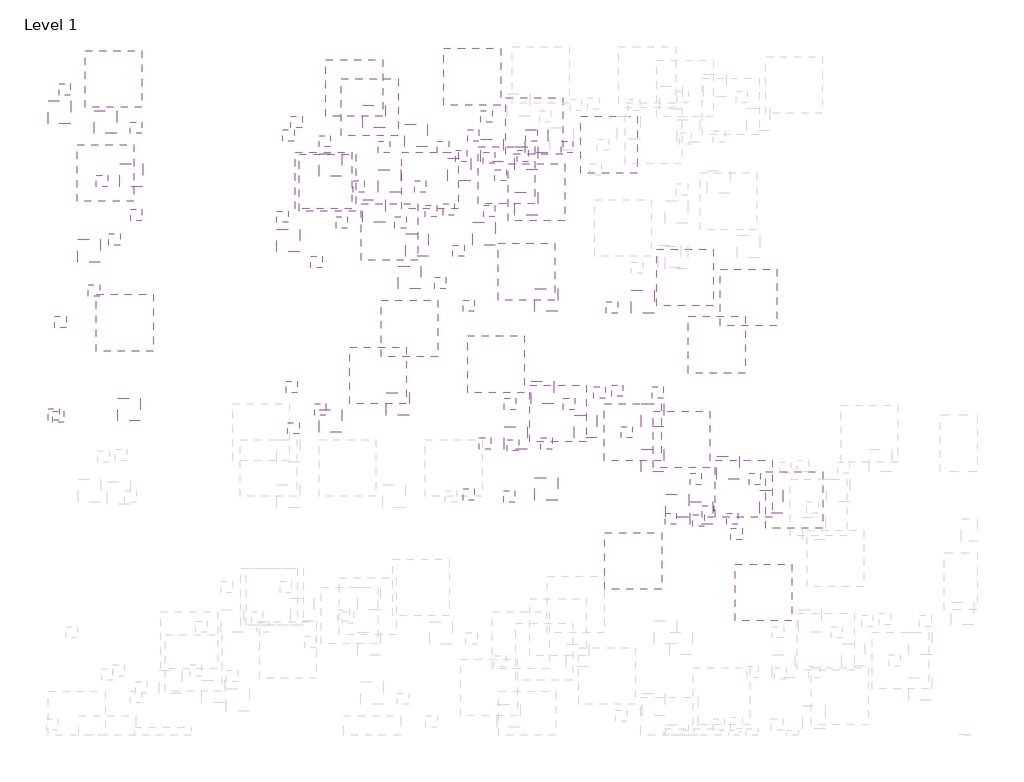
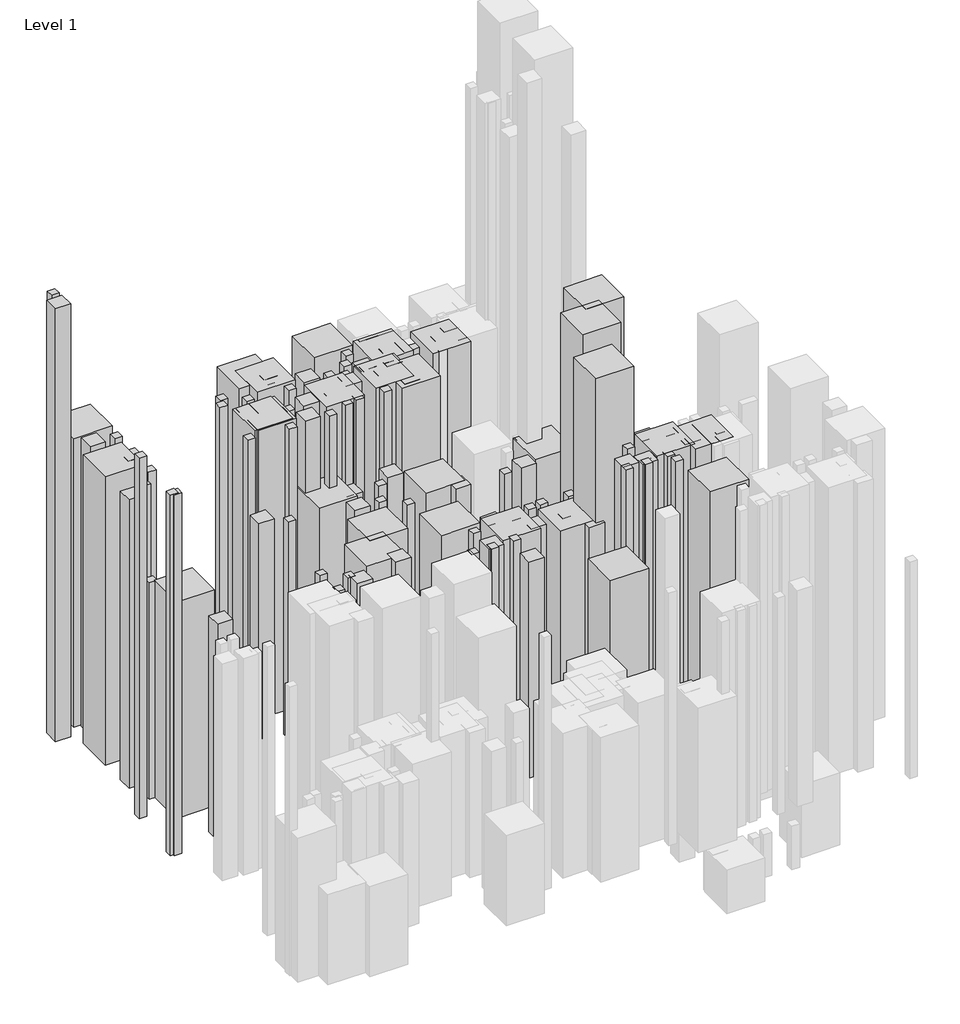
# One storey, part 11 of 16: 117 proxies.
"""IFC4 building model written with IfcOpenShell, lengths in millimetres."""

import ifcopenshell
import ifcopenshell.guid

model = None  # the IFC model being written
_history = None  # IfcOwnerHistory: only IFC2X3 demands one
_inside = {}  # id of a spatial element -> (the spatial element, [elements in it])
_under = {}  # id of a project, library or spatial element -> (it, [spatial elements below it])
_declared = {}  # id of a project -> (the project, [libraries it declares])
_typed = {}  # id of a type object -> (the type object, [elements of that type])
_made_of = {}  # id of a material, layer set ... -> (it, [elements and type objects made of it])


def new_model(schema):
    """Start an empty IFC model of exactly this schema.

    Asked for "IFC4X3", IfcOpenShell would pick the latest addendum, in which some entities
    have other attributes; the version numbers below select the first issue.
    IFC2X3 requires an IfcOwnerHistory on every rooted entity: one is made here for all.
    """
    global model, _history
    if schema == "IFC4X3":
        model = ifcopenshell.file(schema_version=(4, 3, 0, 0))
    else:
        model = ifcopenshell.file(schema=schema)
    _inside.clear()
    _under.clear()
    _declared.clear()
    _typed.clear()
    _made_of.clear()
    _history = None
    if model.schema == "IFC2X3":
        org = make("IfcOrganization", Name="unknown")
        user = make(
            "IfcPersonAndOrganization",
            ThePerson=make("IfcPerson", FamilyName="unknown"),
            TheOrganization=org,
        )
        app = make(
            "IfcApplication",
            ApplicationDeveloper=org,
            Version="unknown",
            ApplicationFullName="unknown",
            ApplicationIdentifier="unknown",
        )
        _history = make(
            "IfcOwnerHistory",
            OwningUser=user,
            OwningApplication=app,
            ChangeAction="ADDED",
            CreationDate=0,
        )
    return model


def make(cls, **values):
    """One entity of the class cls with the attributes given. An attribute that is None is left unset."""
    return model.create_entity(
        cls, **{name: value for name, value in values.items() if value is not None}
    )


def rooted(cls, **values):
    """An entity with a GlobalId (a new one), such as an element, a storey or a relation."""
    return make(cls, GlobalId=ifcopenshell.guid.new(), OwnerHistory=_history, **values)


def si_unit(unit_type, name, prefix=None):
    """IfcSIUnit, for example si_unit("LENGTHUNIT", "METRE", prefix="MILLI")."""
    return make("IfcSIUnit", UnitType=unit_type, Prefix=prefix, Name=name)


def assignment(units):
    """IfcUnitAssignment: the units of a project."""
    return None if units is None else make("IfcUnitAssignment", Units=units)


def point(xyz):
    """IfcCartesianPoint."""
    return None if xyz is None else make("IfcCartesianPoint", Coordinates=xyz)


def direction(xyz):
    """IfcDirection."""
    return None if xyz is None else make("IfcDirection", DirectionRatios=xyz)


def frame(location, z_axis=None, x_axis=None):
    """IfcAxis2Placement3D, a coordinate frame: its origin and axes. An axis left out is left unset."""
    return make(
        "IfcAxis2Placement3D",
        Location=point(location),
        Axis=direction(z_axis),
        RefDirection=direction(x_axis),
    )


def origin():
    """The frame at (0, 0, 0) with its axes left unset."""
    return frame((0.0, 0.0, 0.0))


def place(relative_to, where):
    """IfcLocalPlacement: puts the frame where relative to a parent placement (None: the world)."""
    return make(
        "IfcLocalPlacement", PlacementRelTo=relative_to, RelativePlacement=where
    )


def context(
    kind, dimensions, precision=None, world=None, true_north=None, identifier=None
):
    """IfcGeometricRepresentationContext, for example the 3D "Model" context."""
    return make(
        "IfcGeometricRepresentationContext",
        ContextIdentifier=identifier,
        ContextType=kind,
        CoordinateSpaceDimension=dimensions,
        Precision=precision,
        WorldCoordinateSystem=world,
        TrueNorth=true_north,
    )


def project(units=None, contexts=None):
    """IfcProject with its units and contexts."""
    return rooted(
        "IfcProject",
        Name="project",
        RepresentationContexts=contexts,
        UnitsInContext=assignment(units),
    )


def spatial(cls, under=None, at=None, **own):
    """A site, building, storey or space (cls), placed at a placement, below another one or the project."""
    s = rooted(cls, ObjectPlacement=at, **own)
    if under is not None:
        _under.setdefault(under.id(), (under, []))[1].append(s)
    return s


def polyline(points):
    """IfcPolyline through the points."""
    return make("IfcPolyline", Points=[point(p) for p in points])


def outline(outer, holes=None, kind="AREA"):
    """IfcArbitraryClosedProfileDef: a profile drawn as a closed curve; with holes, ...WithVoids."""
    if holes is None:
        return make("IfcArbitraryClosedProfileDef", ProfileType=kind, OuterCurve=outer)
    return make(
        "IfcArbitraryProfileDefWithVoids",
        ProfileType=kind,
        OuterCurve=outer,
        InnerCurves=holes,
    )


def extrude(swept, where, along, depth):
    """IfcExtrudedAreaSolid: the profile swept, set in the frame where, extruded along a direction by depth."""
    return make(
        "IfcExtrudedAreaSolid",
        SweptArea=swept,
        Position=where,
        ExtrudedDirection=direction(along),
        Depth=depth,
    )


def shape(context_of_items, identifier, shape_type, items):
    """IfcShapeRepresentation: the items that make up one representation, for example the "Body"."""
    return make(
        "IfcShapeRepresentation",
        ContextOfItems=context_of_items,
        RepresentationIdentifier=identifier,
        RepresentationType=shape_type,
        Items=items,
    )


def source(mapping_origin, context_of_items, identifier, shape_type, items):
    """IfcRepresentationMap: a shape defined once, which mapped items show again and again."""
    return make(
        "IfcRepresentationMap",
        MappingOrigin=mapping_origin,
        MappedRepresentation=shape(context_of_items, identifier, shape_type, items),
    )


def transform(
    local_origin,
    x_axis=None,
    y_axis=None,
    z_axis=None,
    scale=None,
    scale2=None,
    scale3=None,
    uniform=True,
):
    """IfcCartesianTransformationOperator3D, or its non-uniform kind. x_axis, y_axis, z_axis: its Axis1, 2, 3."""
    if uniform:
        return make(
            "IfcCartesianTransformationOperator3D",
            Axis1=direction(x_axis),
            Axis2=direction(y_axis),
            LocalOrigin=point(local_origin),
            Scale=scale,
            Axis3=direction(z_axis),
        )
    return make(
        "IfcCartesianTransformationOperator3DnonUniform",
        Axis1=direction(x_axis),
        Axis2=direction(y_axis),
        LocalOrigin=point(local_origin),
        Scale=scale,
        Axis3=direction(z_axis),
        Scale2=scale2,
        Scale3=scale3,
    )


def mapped(mapping_source, mapping_target):
    """IfcMappedItem: shows the shape of a source again, moved by a transform."""
    return make(
        "IfcMappedItem", MappingSource=mapping_source, MappingTarget=mapping_target
    )


def made_of(thing, what):
    """Note that an element or type object is made of a material, layer set ...; save() writes the relation."""
    if what is not None:
        _made_of.setdefault(what.id(), (what, []))[1].append(thing)
    return thing


def element(
    cls,
    number,
    at=None,
    inside=None,
    cuts=None,
    type_object=None,
    material=None,
    context=None,
    identifier="Body",
    shape_type=None,
    held_by="IfcProductDefinitionShape",
    body=None,
    shapes=None,
    **own,
):
    """One element of the class cls, such as IfcWall. Its Tag is "e" and its number.

    at: its placement. inside: the storey or other place that contains it. cuts: it is an
    opening in that element (IfcRelVoidsElement). A single representation is given by context,
    identifier, shape_type and body (its items); several are given by shapes. held_by: the class
    of the entity that holds the representations. save() writes the other relations.
    """
    e = rooted(cls, Tag="e%d" % number, ObjectPlacement=at, **own)
    if body is not None:
        shapes = [shape(context, identifier, shape_type, body)]
    if shapes is not None:
        e.Representation = make(held_by, Representations=shapes)
    if inside is not None:
        _inside.setdefault(inside.id(), (inside, []))[1].append(e)
    if cuts is not None:
        rooted(
            "IfcRelVoidsElement", RelatingBuildingElement=cuts, RelatedOpeningElement=e
        )
    if type_object is not None:
        _typed.setdefault(type_object.id(), (type_object, []))[1].append(e)
    return made_of(e, material)


def aggregate(whole, parts):
    """IfcRelAggregates: a whole, such as a stair, and the parts it consists of."""
    return rooted("IfcRelAggregates", RelatingObject=whole, RelatedObjects=parts)


def save(model, path):
    """Write the relations noted so far, then the file.

    IfcRelAggregates (storeys below a building ...), IfcRelContainedInSpatialStructure (elements
    in a storey), IfcRelDefinesByType, IfcRelAssociatesMaterial and IfcRelDeclares: one each for
    every whole, place, type object, material and project.
    """
    for whole, parts in _under.values():
        aggregate(whole, parts)
    for where, things in _inside.values():
        rooted(
            "IfcRelContainedInSpatialStructure",
            RelatedElements=things,
            RelatingStructure=where,
        )
    for kind, things in _typed.values():
        rooted("IfcRelDefinesByType", RelatedObjects=things, RelatingType=kind)
    for what, things in _made_of.values():
        rooted("IfcRelAssociatesMaterial", RelatedObjects=things, RelatingMaterial=what)
    for by, libraries in _declared.values():
        rooted("IfcRelDeclares", RelatingContext=by, RelatedDefinitions=libraries)
    model.write(path)


def parte1_ss_1fca1654(model_context):
    return source(origin(), model_context, "Body", "SweptSolid", [
        extrude(outline(polyline([(2000.0, 2000.0), (2000.0, 0.0), (0.0, 0.0), (0.0, 2000.0), (2000.0, 2000.0)])), frame((0.0, 0.0, 25000.0), z_axis=(0.0, 0.0, 1.0), x_axis=(1.0, 0.0, 0.0)), (0.0, 0.0, 1.0), 80000.0),
    ])


def parte1_ss_e06bf4f3(model_context):
    return source(origin(), model_context, "Body", "SweptSolid", [
        extrude(outline(polyline([(2000.0, 2000.0), (2000.0, 0.0), (0.0, 0.0), (0.0, 2000.0), (2000.0, 2000.0)])), frame((0.0, 0.0, 25000.0), z_axis=(0.0, 0.0, 1.0), x_axis=(1.0, 0.0, 0.0)), (0.0, 0.0, 1.0), 60000.0),
    ])


def parte1_ss_6912c72c(model_context):
    return source(origin(), model_context, "Body", "SweptSolid", [
        extrude(outline(polyline([(4000.0, 4000.0), (4000.0, 0.0), (0.0, 0.0), (0.0, 4000.0), (4000.0, 4000.0)])), frame((0.0, 0.0, 25000.0), z_axis=(0.0, 0.0, 1.0), x_axis=(1.0, 0.0, 0.0)), (0.0, 0.0, 1.0), 80000.0),
    ])


def parte1_ss_4bb62a88(model_context):
    return source(origin(), model_context, "Body", "SweptSolid", [
        extrude(outline(polyline([(4000.0, 4000.0), (4000.0, 0.0), (0.0, 0.0), (0.0, 4000.0), (4000.0, 4000.0)])), frame((0.0, 0.0, 25000.0), z_axis=(0.0, 0.0, 1.0), x_axis=(1.0, 0.0, 0.0)), (0.0, 0.0, 1.0), 60000.0),
    ])


def parte1_ss_8711a79d(model_context):
    return source(origin(), model_context, "Body", "SweptSolid", [
        extrude(outline(polyline([(10000.0, 10000.0), (10000.0, 0.0), (0.0, 0.0), (0.0, 10000.0), (10000.0, 10000.0)])), frame((0.0, 0.0, 25000.0), z_axis=(0.0, 0.0, 1.0), x_axis=(1.0, 0.0, 0.0)), (0.0, 0.0, 1.0), 80000.0),
    ])


def parte1_ss_c5f6cec1(model_context):
    return source(origin(), model_context, "Body", "SweptSolid", [
        extrude(outline(polyline([(10000.0, 10000.0), (10000.0, 0.0), (0.0, 0.0), (0.0, 10000.0), (10000.0, 10000.0)])), frame((0.0, 0.0, 25000.0), z_axis=(0.0, 0.0, 1.0), x_axis=(1.0, 0.0, 0.0)), (0.0, 0.0, 1.0), 60000.0),
    ])


def parte1_ss_d79c1c34(model_context):
    return source(origin(), model_context, "Body", "SweptSolid", [
        extrude(outline(polyline([(2000.0, 2000.0), (2000.0, 0.0), (0.0, 0.0), (0.0, 2000.0), (2000.0, 2000.0)])), frame((0.0, 0.0, 25000.0), z_axis=(0.0, 0.0, 1.0), x_axis=(1.0, 0.0, 0.0)), (0.0, 0.0, 1.0), 40000.0),
    ])


def parte1_ss_d48f2e0d(model_context):
    return source(origin(), model_context, "Body", "SweptSolid", [
        extrude(outline(polyline([(2000.0, 2000.0), (2000.0, 0.0), (0.0, 0.0), (0.0, 2000.0), (2000.0, 2000.0)])), frame((0.0, 0.0, 25000.0), z_axis=(0.0, 0.0, 1.0), x_axis=(1.0, 0.0, 0.0)), (0.0, 0.0, 1.0), 100000.0),
    ])


def parte1_ss_03b0882a(model_context):
    return source(origin(), model_context, "Body", "SweptSolid", [
        extrude(outline(polyline([(10000.0, 10000.0), (10000.0, 0.0), (0.0, 0.0), (0.0, 10000.0), (10000.0, 10000.0)])), frame((0.0, 0.0, 25000.0), z_axis=(0.0, 0.0, 1.0), x_axis=(1.0, 0.0, 0.0)), (0.0, 0.0, 1.0), 100000.0),
    ])


def parte1_ss_e330ee4c(model_context):
    return source(origin(), model_context, "Body", "SweptSolid", [
        extrude(outline(polyline([(2000.0, 2000.0), (2000.0, 0.0), (0.0, 0.0), (0.0, 2000.0), (2000.0, 2000.0)])), frame((0.0, 0.0, 25000.0), z_axis=(0.0, 0.0, 1.0), x_axis=(1.0, 0.0, 0.0)), (0.0, 0.0, 1.0), 120000.0),
    ])


def parte1_ss_894d3b80(model_context):
    return source(origin(), model_context, "Body", "SweptSolid", [
        extrude(outline(polyline([(4000.0, 4000.0), (4000.0, 0.0), (0.0, 0.0), (0.0, 4000.0), (4000.0, 4000.0)])), frame((0.0, 0.0, 25000.0), z_axis=(0.0, 0.0, 1.0), x_axis=(1.0, 0.0, 0.0)), (0.0, 0.0, 1.0), 120000.0),
    ])


model = new_model("IFC4")

# Units and contexts
model_context = context("Model", 3, world=origin())
ifc_project = project(units=[si_unit("LENGTHUNIT", "METRE", prefix="MILLI")], contexts=[model_context])

# Site, building, storey
site = spatial("IfcSite", under=ifc_project)
building = spatial("IfcBuilding", under=site)
storey = spatial("IfcBuildingStorey", under=building, Name="Level 1", Elevation=0.0)

# Proxies
placement = place(None, origin())
parte1_ss_shape = parte1_ss_1fca1654(model_context)
element("IfcBuildingElementProxy", 1, Name="Parte1-SS", ObjectType="Parte1-SS", at=placement, inside=storey, context=model_context, shape_type="MappedRepresentation", body=[
    mapped(parte1_ss_shape, transform((15519.2993806, 249073.0632074, 0.0), x_axis=(1.0, 0.0, 0.0), y_axis=(0.0, 1.0, 0.0), z_axis=(0.0, 0.0, 1.0))),
])
element("IfcBuildingElementProxy", 2, Name="Parte1-SS", ObjectType="Parte1-SS", at=placement, inside=storey, context=model_context, shape_type="MappedRepresentation", body=[
    mapped(parte1_ss_shape, transform((43806.3667145, 250073.0632074, 0.0), x_axis=(1.0, 0.0, 0.0), y_axis=(0.0, 1.0, 0.0), z_axis=(0.0, 0.0, 1.0))),
])
element("IfcBuildingElementProxy", 3, Name="Parte1-SS", ObjectType="Parte1-SS", at=placement, inside=storey, context=model_context, shape_type="MappedRepresentation", body=[
    mapped(parte1_ss_shape, transform((77783.5006159, 243768.2632074, 0.0), x_axis=(1.0, 0.0, 0.0), y_axis=(0.0, 1.0, 0.0), z_axis=(0.0, 0.0, 1.0))),
])
element("IfcBuildingElementProxy", 4, Name="Parte1-SS", ObjectType="Parte1-SS", at=placement, inside=storey, context=model_context, shape_type="MappedRepresentation", body=[
    mapped(parte1_ss_shape, transform((72864.7828808, 244073.0632074, 0.0), x_axis=(1.0, 0.0, 0.0), y_axis=(0.0, 1.0, 0.0), z_axis=(0.0, 0.0, 1.0))),
])
element("IfcBuildingElementProxy", 5, Name="Parte1-SS", ObjectType="Parte1-SS", at=placement, inside=storey, context=model_context, shape_type="MappedRepresentation", body=[
    mapped(parte1_ss_shape, transform((77292.6873825, 251073.0632074, 0.0), x_axis=(1.0, 0.0, 0.0), y_axis=(0.0, 1.0, 0.0), z_axis=(0.0, 0.0, 1.0))),
])
element("IfcBuildingElementProxy", 6, Name="Parte1-SS", ObjectType="Parte1-SS", at=placement, inside=storey, context=model_context, shape_type="MappedRepresentation", body=[
    mapped(parte1_ss_shape, transform((83708.8445693, 244073.0632074, 0.0), x_axis=(1.0, 0.0, 0.0), y_axis=(0.0, 1.0, 0.0), z_axis=(0.0, 0.0, 1.0))),
])
element("IfcBuildingElementProxy", 7, Name="Parte1-SS", ObjectType="Parte1-SS", at=placement, inside=storey, context=model_context, shape_type="MappedRepresentation", body=[
    mapped(parte1_ss_shape, transform((91538.9295978, 245682.6632074, 0.0), x_axis=(1.0, 0.0, 0.0), y_axis=(0.0, 1.0, 0.0), z_axis=(0.0, 0.0, 1.0))),
])
element("IfcBuildingElementProxy", 8, Name="Parte1-SS", ObjectType="Parte1-SS", at=placement, inside=storey, context=model_context, shape_type="MappedRepresentation", body=[
    mapped(parte1_ss_shape, transform((116362.8043872, 181420.4492341, 0.0), x_axis=(1.0, 0.0, 0.0), y_axis=(0.0, 1.0, 0.0), z_axis=(0.0, 0.0, 1.0))),
])
element("IfcBuildingElementProxy", 9, Name="Parte1-SS", ObjectType="Parte1-SS", at=placement, inside=storey, context=model_context, shape_type="MappedRepresentation", body=[
    mapped(parte1_ss_shape, transform((121397.0200261, 177420.4492341, 0.0), x_axis=(1.0, 0.0, 0.0), y_axis=(0.0, 1.0, 0.0), z_axis=(0.0, 0.0, 1.0))),
])
element("IfcBuildingElementProxy", 10, Name="Parte1-SS", ObjectType="Parte1-SS", at=placement, inside=storey, context=model_context, shape_type="MappedRepresentation", body=[
    mapped(parte1_ss_shape, transform((9538.1878497, 239682.6632074, 0.0), x_axis=(1.0, 0.0, 0.0), y_axis=(0.0, 1.0, 0.0), z_axis=(0.0, 0.0, 1.0))),
])
element("IfcBuildingElementProxy", 11, Name="Parte1-SS", ObjectType="Parte1-SS", at=placement, inside=storey, context=model_context, shape_type="MappedRepresentation", body=[
    mapped(parte1_ss_shape, transform((15538.1878497, 233682.6632074, 0.0), x_axis=(1.0, 0.0, 0.0), y_axis=(0.0, 1.0, 0.0), z_axis=(0.0, 0.0, 1.0))),
])
element("IfcBuildingElementProxy", 12, Name="Parte1-SS", ObjectType="Parte1-SS", at=placement, inside=storey, context=model_context, shape_type="MappedRepresentation", body=[
    mapped(parte1_ss_shape, transform((48791.0395448, 246682.6632074, 0.0), x_axis=(1.0, 0.0, 0.0), y_axis=(0.0, 1.0, 0.0), z_axis=(0.0, 0.0, 1.0))),
])
element("IfcBuildingElementProxy", 13, Name="Parte1-SS", ObjectType="Parte1-SS", at=placement, inside=storey, context=model_context, shape_type="MappedRepresentation", body=[
    mapped(parte1_ss_shape, transform((42383.1287422, 247682.6632074, 0.0), x_axis=(1.0, 0.0, 0.0), y_axis=(0.0, 1.0, 0.0), z_axis=(0.0, 0.0, 1.0))),
])
element("IfcBuildingElementProxy", 14, Name="Parte1-SS", ObjectType="Parte1-SS", at=placement, inside=storey, context=model_context, shape_type="MappedRepresentation", body=[
    mapped(parte1_ss_shape, transform((54791.0395448, 238682.6632074, 0.0), x_axis=(1.0, 0.0, 0.0), y_axis=(0.0, 1.0, 0.0), z_axis=(0.0, 0.0, 1.0))),
])
element("IfcBuildingElementProxy", 15, Name="Parte1-SS", ObjectType="Parte1-SS", at=placement, inside=storey, context=model_context, shape_type="MappedRepresentation", body=[
    mapped(parte1_ss_shape, transform((59218.9440466, 245682.6632074, 0.0), x_axis=(1.0, 0.0, 0.0), y_axis=(0.0, 1.0, 0.0), z_axis=(0.0, 0.0, 1.0))),
])
element("IfcBuildingElementProxy", 16, Name="Parte1-SS", ObjectType="Parte1-SS", at=placement, inside=storey, context=model_context, shape_type="MappedRepresentation", body=[
    mapped(parte1_ss_shape, transform((65635.1012333, 238682.6632074, 0.0), x_axis=(1.0, 0.0, 0.0), y_axis=(0.0, 1.0, 0.0), z_axis=(0.0, 0.0, 1.0))),
])
element("IfcBuildingElementProxy", 17, Name="Parte1-SS", ObjectType="Parte1-SS", at=placement, inside=storey, context=model_context, shape_type="MappedRepresentation", body=[
    mapped(parte1_ss_shape, transform((74979.6583669, 247682.6632074, 0.0), x_axis=(1.0, 0.0, 0.0), y_axis=(0.0, 1.0, 0.0), z_axis=(0.0, 0.0, 1.0))),
])
element("IfcBuildingElementProxy", 18, Name="Parte1-SS", ObjectType="Parte1-SS", at=placement, inside=storey, context=model_context, shape_type="MappedRepresentation", body=[
    mapped(parte1_ss_shape, transform((70669.3168722, 234682.6632074, 0.0), x_axis=(1.0, 0.0, 0.0), y_axis=(0.0, 1.0, 0.0), z_axis=(0.0, 0.0, 1.0))),
])
element("IfcBuildingElementProxy", 19, Name="Parte1-SS", ObjectType="Parte1-SS", at=placement, inside=storey, context=model_context, shape_type="MappedRepresentation", body=[
    mapped(parte1_ss_shape, transform((69616.4090261, 245682.6632074, 0.0), x_axis=(1.0, 0.0, 0.0), y_axis=(0.0, 1.0, 0.0), z_axis=(0.0, 0.0, 1.0))),
])
element("IfcBuildingElementProxy", 20, Name="Parte1-SS", ObjectType="Parte1-SS", at=placement, inside=storey, context=model_context, shape_type="MappedRepresentation", body=[
    mapped(parte1_ss_shape, transform((79791.0395448, 240682.6632074, 0.0), x_axis=(1.0, 0.0, 0.0), y_axis=(0.0, 1.0, 0.0), z_axis=(0.0, 0.0, 1.0))),
])
element("IfcBuildingElementProxy", 21, Name="Parte1-SS", ObjectType="Parte1-SS", at=placement, inside=storey, context=model_context, shape_type="MappedRepresentation", body=[
    mapped(parte1_ss_shape, transform((85250.7515782, 247682.6632074, 0.0), x_axis=(1.0, 0.0, 0.0), y_axis=(0.0, 1.0, 0.0), z_axis=(0.0, 0.0, 1.0))),
])
element("IfcBuildingElementProxy", 22, Name="Parte1-SS", ObjectType="Parte1-SS", at=placement, inside=storey, context=model_context, shape_type="MappedRepresentation", body=[
    mapped(parte1_ss_shape, transform((41350.4953943, 233377.8632074, 0.0), x_axis=(1.0, 0.0, 0.0), y_axis=(0.0, 1.0, 0.0), z_axis=(0.0, 0.0, 1.0))),
])
element("IfcBuildingElementProxy", 23, Name="Parte1-SS", ObjectType="Parte1-SS", at=placement, inside=storey, context=model_context, shape_type="MappedRepresentation", body=[
    mapped(parte1_ss_shape, transform((11689.7328966, 229377.8632074, 0.0), x_axis=(1.0, 0.0, 0.0), y_axis=(0.0, 1.0, 0.0), z_axis=(0.0, 0.0, 1.0))),
])
element("IfcBuildingElementProxy", 24, Name="Parte1-SS", ObjectType="Parte1-SS", at=placement, inside=storey, context=model_context, shape_type="MappedRepresentation", body=[
    mapped(parte1_ss_shape, transform((51778.3998961, 232377.8632074, 0.0), x_axis=(1.0, 0.0, 0.0), y_axis=(0.0, 1.0, 0.0), z_axis=(0.0, 0.0, 1.0))),
])
element("IfcBuildingElementProxy", 25, Name="Parte1-SS", ObjectType="Parte1-SS", at=placement, inside=storey, context=model_context, shape_type="MappedRepresentation", body=[
    mapped(parte1_ss_shape, transform((67539.1142163, 234377.8632074, 0.0), x_axis=(1.0, 0.0, 0.0), y_axis=(0.0, 1.0, 0.0), z_axis=(0.0, 0.0, 1.0))),
])
element("IfcBuildingElementProxy", 26, Name="Parte1-SS", ObjectType="Parte1-SS", at=placement, inside=storey, context=model_context, shape_type="MappedRepresentation", body=[
    mapped(parte1_ss_shape, transform((62175.8648756, 232377.8632074, 0.0), x_axis=(1.0, 0.0, 0.0), y_axis=(0.0, 1.0, 0.0), z_axis=(0.0, 0.0, 1.0))),
])
element("IfcBuildingElementProxy", 27, Name="Parte1-SS", ObjectType="Parte1-SS", at=placement, inside=storey, context=model_context, shape_type="MappedRepresentation", body=[
    mapped(parte1_ss_shape, transform((77810.2074277, 234377.8632074, 0.0), x_axis=(1.0, 0.0, 0.0), y_axis=(0.0, 1.0, 0.0), z_axis=(0.0, 0.0, 1.0))),
])
element("IfcBuildingElementProxy", 28, Name="Parte1-SS", ObjectType="Parte1-SS", at=placement, inside=storey, context=model_context, shape_type="MappedRepresentation", body=[
    mapped(parte1_ss_shape, transform((114720.4221315, 179810.8492341, 0.0), x_axis=(1.0, 0.0, 0.0), y_axis=(0.0, 1.0, 0.0), z_axis=(0.0, 0.0, 1.0))),
])
element("IfcBuildingElementProxy", 29, Name="Parte1-SS", ObjectType="Parte1-SS", at=placement, inside=storey, context=model_context, shape_type="MappedRepresentation", body=[
    mapped(parte1_ss_shape, transform((109801.7043963, 180115.6492341, 0.0), x_axis=(1.0, 0.0, 0.0), y_axis=(0.0, 1.0, 0.0), z_axis=(0.0, 0.0, 1.0))),
])
element("IfcBuildingElementProxy", 30, Name="Parte1-SS", ObjectType="Parte1-SS", at=placement, inside=storey, context=model_context, shape_type="MappedRepresentation", body=[
    mapped(parte1_ss_shape, transform((114229.6088981, 187115.6492341, 0.0), x_axis=(1.0, 0.0, 0.0), y_axis=(0.0, 1.0, 0.0), z_axis=(0.0, 0.0, 1.0))),
])
element("IfcBuildingElementProxy", 31, Name="Parte1-SS", ObjectType="Parte1-SS", at=placement, inside=storey, context=model_context, shape_type="MappedRepresentation", body=[
    mapped(parte1_ss_shape, transform((120645.7660848, 180115.6492341, 0.0), x_axis=(1.0, 0.0, 0.0), y_axis=(0.0, 1.0, 0.0), z_axis=(0.0, 0.0, 1.0))),
])
element("IfcBuildingElementProxy", 32, Name="Parte1-SS", ObjectType="Parte1-SS", at=placement, inside=storey, context=model_context, shape_type="MappedRepresentation", body=[
    mapped(parte1_ss_shape, transform((124627.0738776, 187115.6492341, 0.0), x_axis=(1.0, 0.0, 0.0), y_axis=(0.0, 1.0, 0.0), z_axis=(0.0, 0.0, 1.0))),
])
parte1_ss_2_shape = parte1_ss_e06bf4f3(model_context)
element("IfcBuildingElementProxy", 33, Name="Parte1-SS", ObjectType="Parte1-SS", at=placement, inside=storey, context=model_context, shape_type="MappedRepresentation", body=[
    mapped(parte1_ss_2_shape, transform((43277.028264, 196073.0632074, 0.0), x_axis=(1.0, 0.0, 0.0), y_axis=(0.0, 1.0, 0.0), z_axis=(0.0, 0.0, 1.0))),
])
element("IfcBuildingElementProxy", 34, Name="Parte1-SS", ObjectType="Parte1-SS", at=placement, inside=storey, context=model_context, shape_type="MappedRepresentation", body=[
    mapped(parte1_ss_2_shape, transform((99442.9425808, 217377.8632074, 0.0), x_axis=(1.0, 0.0, 0.0), y_axis=(0.0, 1.0, 0.0), z_axis=(0.0, 0.0, 1.0))),
])
element("IfcBuildingElementProxy", 35, Name="Parte1-SS", ObjectType="Parte1-SS", at=placement, inside=storey, context=model_context, shape_type="MappedRepresentation", body=[
    mapped(parte1_ss_2_shape, transform((8097.6436992, 220377.8632074, 0.0), x_axis=(1.0, 0.0, 0.0), y_axis=(0.0, 1.0, 0.0), z_axis=(0.0, 0.0, 1.0))),
])
element("IfcBuildingElementProxy", 36, Name="Parte1-SS", ObjectType="Parte1-SS", at=placement, inside=storey, context=model_context, shape_type="MappedRepresentation", body=[
    mapped(parte1_ss_2_shape, transform((47350.4953943, 225377.8632074, 0.0), x_axis=(1.0, 0.0, 0.0), y_axis=(0.0, 1.0, 0.0), z_axis=(0.0, 0.0, 1.0))),
])
element("IfcBuildingElementProxy", 37, Name="Parte1-SS", ObjectType="Parte1-SS", at=placement, inside=storey, context=model_context, shape_type="MappedRepresentation", body=[
    mapped(parte1_ss_2_shape, transform((42965.4978529, 203377.8632074, 0.0), x_axis=(1.0, 0.0, 0.0), y_axis=(0.0, 1.0, 0.0), z_axis=(0.0, 0.0, 1.0))),
])
element("IfcBuildingElementProxy", 38, Name="Parte1-SS", ObjectType="Parte1-SS", at=placement, inside=storey, context=model_context, shape_type="MappedRepresentation", body=[
    mapped(parte1_ss_2_shape, transform((47999.7134918, 199377.8632074, 0.0), x_axis=(1.0, 0.0, 0.0), y_axis=(0.0, 1.0, 0.0), z_axis=(0.0, 0.0, 1.0))),
])
element("IfcBuildingElementProxy", 39, Name="Parte1-SS", ObjectType="Parte1-SS", at=placement, inside=storey, context=model_context, shape_type="MappedRepresentation", body=[
    mapped(parte1_ss_2_shape, transform((72350.4953943, 227377.8632074, 0.0), x_axis=(1.0, 0.0, 0.0), y_axis=(0.0, 1.0, 0.0), z_axis=(0.0, 0.0, 1.0))),
])
element("IfcBuildingElementProxy", 40, Name="Parte1-SS", ObjectType="Parte1-SS", at=placement, inside=storey, context=model_context, shape_type="MappedRepresentation", body=[
    mapped(parte1_ss_2_shape, transform((81976.8473932, 193073.0632074, 0.0), x_axis=(1.0, 0.0, 0.0), y_axis=(0.0, 1.0, 0.0), z_axis=(0.0, 0.0, 1.0))),
])
element("IfcBuildingElementProxy", 41, Name="Parte1-SS", ObjectType="Parte1-SS", at=placement, inside=storey, context=model_context, shape_type="MappedRepresentation", body=[
    mapped(parte1_ss_2_shape, transform((69154.116675, 221682.6632074, 0.0), x_axis=(1.0, 0.0, 0.0), y_axis=(0.0, 1.0, 0.0), z_axis=(0.0, 0.0, 1.0))),
])
element("IfcBuildingElementProxy", 42, Name="Parte1-SS", ObjectType="Parte1-SS", at=placement, inside=storey, context=model_context, shape_type="MappedRepresentation", body=[
    mapped(parte1_ss_2_shape, transform((74188.3323138, 217682.6632074, 0.0), x_axis=(1.0, 0.0, 0.0), y_axis=(0.0, 1.0, 0.0), z_axis=(0.0, 0.0, 1.0))),
])
element("IfcBuildingElementProxy", 43, Name="Parte1-SS", ObjectType="Parte1-SS", at=placement, inside=storey, context=model_context, shape_type="MappedRepresentation", body=[
    mapped(parte1_ss_2_shape, transform((100376.9511359, 202682.6632074, 0.0), x_axis=(1.0, 0.0, 0.0), y_axis=(0.0, 1.0, 0.0), z_axis=(0.0, 0.0, 1.0))),
])
element("IfcBuildingElementProxy", 44, Name="Parte1-SS", ObjectType="Parte1-SS", at=placement, inside=storey, context=model_context, shape_type="MappedRepresentation", body=[
    mapped(parte1_ss_2_shape, transform((77058.129658, 193377.8632074, 0.0), x_axis=(1.0, 0.0, 0.0), y_axis=(0.0, 1.0, 0.0), z_axis=(0.0, 0.0, 1.0))),
])
element("IfcBuildingElementProxy", 45, Name="Parte1-SS", ObjectType="Parte1-SS", at=placement, inside=storey, context=model_context, shape_type="MappedRepresentation", body=[
    mapped(parte1_ss_2_shape, transform((81486.0341598, 200377.8632074, 0.0), x_axis=(1.0, 0.0, 0.0), y_axis=(0.0, 1.0, 0.0), z_axis=(0.0, 0.0, 1.0))),
])
element("IfcBuildingElementProxy", 46, Name="Parte1-SS", ObjectType="Parte1-SS", at=placement, inside=storey, context=model_context, shape_type="MappedRepresentation", body=[
    mapped(parte1_ss_2_shape, transform((87902.1913465, 193377.8632074, 0.0), x_axis=(1.0, 0.0, 0.0), y_axis=(0.0, 1.0, 0.0), z_axis=(0.0, 0.0, 1.0))),
])
element("IfcBuildingElementProxy", 47, Name="Parte1-SS", ObjectType="Parte1-SS", at=placement, inside=storey, context=model_context, shape_type="MappedRepresentation", body=[
    mapped(parte1_ss_2_shape, transform((97246.7484801, 202377.8632074, 0.0), x_axis=(1.0, 0.0, 0.0), y_axis=(0.0, 1.0, 0.0), z_axis=(0.0, 0.0, 1.0))),
])
element("IfcBuildingElementProxy", 48, Name="Parte1-SS", ObjectType="Parte1-SS", at=placement, inside=storey, context=model_context, shape_type="MappedRepresentation", body=[
    mapped(parte1_ss_2_shape, transform((91883.4991393, 200377.8632074, 0.0), x_axis=(1.0, 0.0, 0.0), y_axis=(0.0, 1.0, 0.0), z_axis=(0.0, 0.0, 1.0))),
])
element("IfcBuildingElementProxy", 49, Name="Parte1-SS", ObjectType="Parte1-SS", at=placement, inside=storey, context=model_context, shape_type="MappedRepresentation", body=[
    mapped(parte1_ss_2_shape, transform((102058.129658, 195377.8632074, 0.0), x_axis=(1.0, 0.0, 0.0), y_axis=(0.0, 1.0, 0.0), z_axis=(0.0, 0.0, 1.0))),
])
element("IfcBuildingElementProxy", 50, Name="Parte1-SS", ObjectType="Parte1-SS", at=placement, inside=storey, context=model_context, shape_type="MappedRepresentation", body=[
    mapped(parte1_ss_2_shape, transform((107517.8416914, 202377.8632074, 0.0), x_axis=(1.0, 0.0, 0.0), y_axis=(0.0, 1.0, 0.0), z_axis=(0.0, 0.0, 1.0))),
])
parte1_ss_3_shape = parte1_ss_6912c72c(model_context)
element("IfcBuildingElementProxy", 51, Name="Parte1-SS", ObjectType="Parte1-SS", at=placement, inside=storey, context=model_context, shape_type="MappedRepresentation", body=[
    mapped(parte1_ss_3_shape, transform((9103.1421939, 249073.0632074, 0.0), x_axis=(1.0, 0.0, 0.0), y_axis=(0.0, 1.0, 0.0), z_axis=(0.0, 0.0, 1.0))),
])
element("IfcBuildingElementProxy", 52, Name="Parte1-SS", ObjectType="Parte1-SS", at=placement, inside=storey, context=model_context, shape_type="MappedRepresentation", body=[
    mapped(parte1_ss_3_shape, transform((56461.2685508, 250073.0632074, 0.0), x_axis=(1.0, 0.0, 0.0), y_axis=(0.0, 1.0, 0.0), z_axis=(0.0, 0.0, 1.0))),
])
element("IfcBuildingElementProxy", 53, Name="Parte1-SS", ObjectType="Parte1-SS", at=placement, inside=storey, context=model_context, shape_type="MappedRepresentation", body=[
    mapped(parte1_ss_3_shape, transform((77292.6873825, 244073.0632074, 0.0), x_axis=(1.0, 0.0, 0.0), y_axis=(0.0, 1.0, 0.0), z_axis=(0.0, 0.0, 1.0))),
])
element("IfcBuildingElementProxy", 54, Name="Parte1-SS", ObjectType="Parte1-SS", at=placement, inside=storey, context=model_context, shape_type="MappedRepresentation", body=[
    mapped(parte1_ss_3_shape, transform((85122.772411, 245682.6632074, 0.0), x_axis=(1.0, 0.0, 0.0), y_axis=(0.0, 1.0, 0.0), z_axis=(0.0, 0.0, 1.0))),
])
element("IfcBuildingElementProxy", 55, Name="Parte1-SS", ObjectType="Parte1-SS", at=placement, inside=storey, context=model_context, shape_type="MappedRepresentation", body=[
    mapped(parte1_ss_3_shape, transform((109946.6472005, 181420.4492341, 0.0), x_axis=(1.0, 0.0, 0.0), y_axis=(0.0, 1.0, 0.0), z_axis=(0.0, 0.0, 1.0))),
])
element("IfcBuildingElementProxy", 56, Name="Parte1-SS", ObjectType="Parte1-SS", at=placement, inside=storey, context=model_context, shape_type="MappedRepresentation", body=[
    mapped(parte1_ss_3_shape, transform((48791.0395448, 241482.6632074, 0.0), x_axis=(1.0, 0.0, 0.0), y_axis=(0.0, 1.0, 0.0), z_axis=(0.0, 0.0, 1.0))),
])
element("IfcBuildingElementProxy", 57, Name="Parte1-SS", ObjectType="Parte1-SS", at=placement, inside=storey, context=model_context, shape_type="MappedRepresentation", body=[
    mapped(parte1_ss_3_shape, transform((13678.659229, 239682.6632074, 0.0), x_axis=(1.0, 0.0, 0.0), y_axis=(0.0, 1.0, 0.0), z_axis=(0.0, 0.0, 1.0))),
])
element("IfcBuildingElementProxy", 58, Name="Parte1-SS", ObjectType="Parte1-SS", at=placement, inside=storey, context=model_context, shape_type="MappedRepresentation", body=[
    mapped(parte1_ss_3_shape, transform((59218.9440466, 238682.6632074, 0.0), x_axis=(1.0, 0.0, 0.0), y_axis=(0.0, 1.0, 0.0), z_axis=(0.0, 0.0, 1.0))),
])
element("IfcBuildingElementProxy", 59, Name="Parte1-SS", ObjectType="Parte1-SS", at=placement, inside=storey, context=model_context, shape_type="MappedRepresentation", body=[
    mapped(parte1_ss_3_shape, transform((63908.8508829, 246682.6632074, 0.0), x_axis=(1.0, 0.0, 0.0), y_axis=(0.0, 1.0, 0.0), z_axis=(0.0, 0.0, 1.0))),
])
element("IfcBuildingElementProxy", 60, Name="Parte1-SS", ObjectType="Parte1-SS", at=placement, inside=storey, context=model_context, shape_type="MappedRepresentation", body=[
    mapped(parte1_ss_3_shape, transform((71519.5434657, 240682.6632074, 0.0), x_axis=(1.0, 0.0, 0.0), y_axis=(0.0, 1.0, 0.0), z_axis=(0.0, 0.0, 1.0))),
])
element("IfcBuildingElementProxy", 61, Name="Parte1-SS", ObjectType="Parte1-SS", at=placement, inside=storey, context=model_context, shape_type="MappedRepresentation", body=[
    mapped(parte1_ss_3_shape, transform((83324.2187085, 234682.6632074, 0.0), x_axis=(1.0, 0.0, 0.0), y_axis=(0.0, 1.0, 0.0), z_axis=(0.0, 0.0, 1.0))),
])
element("IfcBuildingElementProxy", 62, Name="Parte1-SS", ObjectType="Parte1-SS", at=placement, inside=storey, context=model_context, shape_type="MappedRepresentation", body=[
    mapped(parte1_ss_3_shape, transform((83324.2187085, 242682.6632074, 0.0), x_axis=(1.0, 0.0, 0.0), y_axis=(0.0, 1.0, 0.0), z_axis=(0.0, 0.0, 1.0))),
])
element("IfcBuildingElementProxy", 63, Name="Parte1-SS", ObjectType="Parte1-SS", at=placement, inside=storey, context=model_context, shape_type="MappedRepresentation", body=[
    mapped(parte1_ss_3_shape, transform((6238.1150785, 226377.8632074, 0.0), x_axis=(1.0, 0.0, 0.0), y_axis=(0.0, 1.0, 0.0), z_axis=(0.0, 0.0, 1.0))),
])
element("IfcBuildingElementProxy", 64, Name="Parte1-SS", ObjectType="Parte1-SS", at=placement, inside=storey, context=model_context, shape_type="MappedRepresentation", body=[
    mapped(parte1_ss_3_shape, transform((56468.3067324, 233377.8632074, 0.0), x_axis=(1.0, 0.0, 0.0), y_axis=(0.0, 1.0, 0.0), z_axis=(0.0, 0.0, 1.0))),
])
element("IfcBuildingElementProxy", 65, Name="Parte1-SS", ObjectType="Parte1-SS", at=placement, inside=storey, context=model_context, shape_type="MappedRepresentation", body=[
    mapped(parte1_ss_3_shape, transform((114229.6088981, 180115.6492341, 0.0), x_axis=(1.0, 0.0, 0.0), y_axis=(0.0, 1.0, 0.0), z_axis=(0.0, 0.0, 1.0))),
])
element("IfcBuildingElementProxy", 66, Name="Parte1-SS", ObjectType="Parte1-SS", at=placement, inside=storey, context=model_context, shape_type="MappedRepresentation", body=[
    mapped(parte1_ss_3_shape, transform((118919.5157344, 188115.6492341, 0.0), x_axis=(1.0, 0.0, 0.0), y_axis=(0.0, 1.0, 0.0), z_axis=(0.0, 0.0, 1.0))),
])
element("IfcBuildingElementProxy", 67, Name="Parte1-SS", ObjectType="Parte1-SS", at=placement, inside=storey, context=model_context, shape_type="MappedRepresentation", body=[
    mapped(parte1_ss_3_shape, transform((126530.2083171, 182115.6492341, 0.0), x_axis=(1.0, 0.0, 0.0), y_axis=(0.0, 1.0, 0.0), z_axis=(0.0, 0.0, 1.0))),
])
parte1_ss_4_shape = parte1_ss_4bb62a88(model_context)
element("IfcBuildingElementProxy", 68, Name="Parte1-SS", ObjectType="Parte1-SS", at=placement, inside=storey, context=model_context, shape_type="MappedRepresentation", body=[
    mapped(parte1_ss_4_shape, transform((48791.0395448, 196377.8632074, 0.0), x_axis=(1.0, 0.0, 0.0), y_axis=(0.0, 1.0, 0.0), z_axis=(0.0, 0.0, 1.0))),
])
element("IfcBuildingElementProxy", 69, Name="Parte1-SS", ObjectType="Parte1-SS", at=placement, inside=storey, context=model_context, shape_type="MappedRepresentation", body=[
    mapped(parte1_ss_4_shape, transform((103870.8470826, 217377.8632074, 0.0), x_axis=(1.0, 0.0, 0.0), y_axis=(0.0, 1.0, 0.0), z_axis=(0.0, 0.0, 1.0))),
])
element("IfcBuildingElementProxy", 70, Name="Parte1-SS", ObjectType="Parte1-SS", at=placement, inside=storey, context=model_context, shape_type="MappedRepresentation", body=[
    mapped(parte1_ss_4_shape, transform((41350.4953943, 228177.8632074, 0.0), x_axis=(1.0, 0.0, 0.0), y_axis=(0.0, 1.0, 0.0), z_axis=(0.0, 0.0, 1.0))),
])
element("IfcBuildingElementProxy", 71, Name="Parte1-SS", ObjectType="Parte1-SS", at=placement, inside=storey, context=model_context, shape_type="MappedRepresentation", body=[
    mapped(parte1_ss_4_shape, transform((13296.4889711, 198377.8632074, 0.0), x_axis=(1.0, 0.0, 0.0), y_axis=(0.0, 1.0, 0.0), z_axis=(0.0, 0.0, 1.0))),
])
element("IfcBuildingElementProxy", 72, Name="Parte1-SS", ObjectType="Parte1-SS", at=placement, inside=storey, context=model_context, shape_type="MappedRepresentation", body=[
    mapped(parte1_ss_4_shape, transform((64078.9993151, 227377.8632074, 0.0), x_axis=(1.0, 0.0, 0.0), y_axis=(0.0, 1.0, 0.0), z_axis=(0.0, 0.0, 1.0))),
])
element("IfcBuildingElementProxy", 73, Name="Parte1-SS", ObjectType="Parte1-SS", at=placement, inside=storey, context=model_context, shape_type="MappedRepresentation", body=[
    mapped(parte1_ss_4_shape, transform((60654.6153281, 199377.8632074, 0.0), x_axis=(1.0, 0.0, 0.0), y_axis=(0.0, 1.0, 0.0), z_axis=(0.0, 0.0, 1.0))),
])
element("IfcBuildingElementProxy", 74, Name="Parte1-SS", ObjectType="Parte1-SS", at=placement, inside=storey, context=model_context, shape_type="MappedRepresentation", body=[
    mapped(parte1_ss_4_shape, transform((75883.674558, 229377.8632074, 0.0), x_axis=(1.0, 0.0, 0.0), y_axis=(0.0, 1.0, 0.0), z_axis=(0.0, 0.0, 1.0))),
])
element("IfcBuildingElementProxy", 75, Name="Parte1-SS", ObjectType="Parte1-SS", at=placement, inside=storey, context=model_context, shape_type="MappedRepresentation", body=[
    mapped(parte1_ss_4_shape, transform((86843.2341502, 184377.8632074, 0.0), x_axis=(1.0, 0.0, 0.0), y_axis=(0.0, 1.0, 0.0), z_axis=(0.0, 0.0, 1.0))),
])
element("IfcBuildingElementProxy", 76, Name="Parte1-SS", ObjectType="Parte1-SS", at=placement, inside=storey, context=model_context, shape_type="MappedRepresentation", body=[
    mapped(parte1_ss_4_shape, transform((62737.9594882, 221682.6632074, 0.0), x_axis=(1.0, 0.0, 0.0), y_axis=(0.0, 1.0, 0.0), z_axis=(0.0, 0.0, 1.0))),
])
element("IfcBuildingElementProxy", 77, Name="Parte1-SS", ObjectType="Parte1-SS", at=placement, inside=storey, context=model_context, shape_type="MappedRepresentation", body=[
    mapped(parte1_ss_4_shape, transform((86843.2341502, 217682.6632074, 0.0), x_axis=(1.0, 0.0, 0.0), y_axis=(0.0, 1.0, 0.0), z_axis=(0.0, 0.0, 1.0))),
])
element("IfcBuildingElementProxy", 78, Name="Parte1-SS", ObjectType="Parte1-SS", at=placement, inside=storey, context=model_context, shape_type="MappedRepresentation", body=[
    mapped(parte1_ss_4_shape, transform((81486.0341598, 193377.8632074, 0.0), x_axis=(1.0, 0.0, 0.0), y_axis=(0.0, 1.0, 0.0), z_axis=(0.0, 0.0, 1.0))),
])
element("IfcBuildingElementProxy", 79, Name="Parte1-SS", ObjectType="Parte1-SS", at=placement, inside=storey, context=model_context, shape_type="MappedRepresentation", body=[
    mapped(parte1_ss_4_shape, transform((86175.9409961, 201377.8632074, 0.0), x_axis=(1.0, 0.0, 0.0), y_axis=(0.0, 1.0, 0.0), z_axis=(0.0, 0.0, 1.0))),
])
element("IfcBuildingElementProxy", 80, Name="Parte1-SS", ObjectType="Parte1-SS", at=placement, inside=storey, context=model_context, shape_type="MappedRepresentation", body=[
    mapped(parte1_ss_4_shape, transform((93786.6335789, 195377.8632074, 0.0), x_axis=(1.0, 0.0, 0.0), y_axis=(0.0, 1.0, 0.0), z_axis=(0.0, 0.0, 1.0))),
])
element("IfcBuildingElementProxy", 81, Name="Parte1-SS", ObjectType="Parte1-SS", at=placement, inside=storey, context=model_context, shape_type="MappedRepresentation", body=[
    mapped(parte1_ss_4_shape, transform((105591.3088217, 189377.8632074, 0.0), x_axis=(1.0, 0.0, 0.0), y_axis=(0.0, 1.0, 0.0), z_axis=(0.0, 0.0, 1.0))),
])
element("IfcBuildingElementProxy", 82, Name="Parte1-SS", ObjectType="Parte1-SS", at=placement, inside=storey, context=model_context, shape_type="MappedRepresentation", body=[
    mapped(parte1_ss_4_shape, transform((105591.3088217, 197377.8632074, 0.0), x_axis=(1.0, 0.0, 0.0), y_axis=(0.0, 1.0, 0.0), z_axis=(0.0, 0.0, 1.0))),
])
parte1_ss_5_shape = parte1_ss_8711a79d(model_context)
element("IfcBuildingElementProxy", 83, Name="Parte1-SS", ObjectType="Parte1-SS", at=placement, inside=storey, context=model_context, shape_type="MappedRepresentation", body=[
    mapped(parte1_ss_5_shape, transform((6115.7818426, 237073.0632074, 0.0), x_axis=(1.0, 0.0, 0.0), y_axis=(0.0, 1.0, 0.0), z_axis=(0.0, 0.0, 1.0))),
])
element("IfcBuildingElementProxy", 84, Name="Parte1-SS", ObjectType="Parte1-SS", at=placement, inside=storey, context=model_context, shape_type="MappedRepresentation", body=[
    mapped(parte1_ss_5_shape, transform((49985.2287732, 252073.0632074, 0.0), x_axis=(1.0, 0.0, 0.0), y_axis=(0.0, 1.0, 0.0), z_axis=(0.0, 0.0, 1.0))),
])
element("IfcBuildingElementProxy", 85, Name="Parte1-SS", ObjectType="Parte1-SS", at=placement, inside=storey, context=model_context, shape_type="MappedRepresentation", body=[
    mapped(parte1_ss_5_shape, transform((44597.6927676, 235768.2632074, 0.0), x_axis=(1.0, 0.0, 0.0), y_axis=(0.0, 1.0, 0.0), z_axis=(0.0, 0.0, 1.0))),
])
element("IfcBuildingElementProxy", 86, Name="Parte1-SS", ObjectType="Parte1-SS", at=placement, inside=storey, context=model_context, shape_type="MappedRepresentation", body=[
    mapped(parte1_ss_5_shape, transform((63345.7674391, 235768.2632074, 0.0), x_axis=(1.0, 0.0, 0.0), y_axis=(0.0, 1.0, 0.0), z_axis=(0.0, 0.0, 1.0))),
])
element("IfcBuildingElementProxy", 87, Name="Parte1-SS", ObjectType="Parte1-SS", at=placement, inside=storey, context=model_context, shape_type="MappedRepresentation", body=[
    mapped(parte1_ss_5_shape, transform((81745.8711818, 245377.8632074, 0.0), x_axis=(1.0, 0.0, 0.0), y_axis=(0.0, 1.0, 0.0), z_axis=(0.0, 0.0, 1.0))),
])
element("IfcBuildingElementProxy", 88, Name="Parte1-SS", ObjectType="Parte1-SS", at=placement, inside=storey, context=model_context, shape_type="MappedRepresentation", body=[
    mapped(parte1_ss_5_shape, transform((70786.3115896, 254073.0632074, 0.0), x_axis=(1.0, 0.0, 0.0), y_axis=(0.0, 1.0, 0.0), z_axis=(0.0, 0.0, 1.0))),
])
element("IfcBuildingElementProxy", 89, Name="Parte1-SS", ObjectType="Parte1-SS", at=placement, inside=storey, context=model_context, shape_type="MappedRepresentation", body=[
    mapped(parte1_ss_5_shape, transform((94921.9222668, 242073.0632074, 0.0), x_axis=(1.0, 0.0, 0.0), y_axis=(0.0, 1.0, 0.0), z_axis=(0.0, 0.0, 1.0))),
])
element("IfcBuildingElementProxy", 90, Name="Parte1-SS", ObjectType="Parte1-SS", at=placement, inside=storey, context=model_context, shape_type="MappedRepresentation", body=[
    mapped(parte1_ss_5_shape, transform((82135.4120598, 233682.6632074, 0.0), x_axis=(1.0, 0.0, 0.0), y_axis=(0.0, 1.0, 0.0), z_axis=(0.0, 0.0, 1.0))),
])
element("IfcBuildingElementProxy", 91, Name="Parte1-SS", ObjectType="Parte1-SS", at=placement, inside=storey, context=model_context, shape_type="MappedRepresentation", body=[
    mapped(parte1_ss_5_shape, transform((127575.8820848, 179420.4492341, 0.0), x_axis=(1.0, 0.0, 0.0), y_axis=(0.0, 1.0, 0.0), z_axis=(0.0, 0.0, 1.0))),
])
element("IfcBuildingElementProxy", 92, Name="Parte1-SS", ObjectType="Parte1-SS", at=placement, inside=storey, context=model_context, shape_type="MappedRepresentation", body=[
    mapped(parte1_ss_5_shape, transform((122188.3460791, 163115.6492341, 0.0), x_axis=(1.0, 0.0, 0.0), y_axis=(0.0, 1.0, 0.0), z_axis=(0.0, 0.0, 1.0))),
])
element("IfcBuildingElementProxy", 93, Name="Parte1-SS", ObjectType="Parte1-SS", at=placement, inside=storey, context=model_context, shape_type="MappedRepresentation", body=[
    mapped(parte1_ss_5_shape, transform((52712.5682537, 248682.6632074, 0.0), x_axis=(1.0, 0.0, 0.0), y_axis=(0.0, 1.0, 0.0), z_axis=(0.0, 0.0, 1.0))),
])
element("IfcBuildingElementProxy", 94, Name="Parte1-SS", ObjectType="Parte1-SS", at=placement, inside=storey, context=model_context, shape_type="MappedRepresentation", body=[
    mapped(parte1_ss_5_shape, transform((76848.1789309, 236682.6632074, 0.0), x_axis=(1.0, 0.0, 0.0), y_axis=(0.0, 1.0, 0.0), z_axis=(0.0, 0.0, 1.0))),
])
element("IfcBuildingElementProxy", 95, Name="Parte1-SS", ObjectType="Parte1-SS", at=placement, inside=storey, context=model_context, shape_type="MappedRepresentation", body=[
    mapped(parte1_ss_5_shape, transform((45272.0241031, 235377.8632074, 0.0), x_axis=(1.0, 0.0, 0.0), y_axis=(0.0, 1.0, 0.0), z_axis=(0.0, 0.0, 1.0))),
])
element("IfcBuildingElementProxy", 96, Name="Parte1-SS", ObjectType="Parte1-SS", at=placement, inside=storey, context=model_context, shape_type="MappedRepresentation", body=[
    mapped(parte1_ss_5_shape, transform((118682.7926973, 181420.4492341, 0.0), x_axis=(1.0, 0.0, 0.0), y_axis=(0.0, 1.0, 0.0), z_axis=(0.0, 0.0, 1.0))),
])
element("IfcBuildingElementProxy", 97, Name="Parte1-SS", ObjectType="Parte1-SS", at=placement, inside=storey, context=model_context, shape_type="MappedRepresentation", body=[
    mapped(parte1_ss_5_shape, transform((7530.3254427, 253682.6632074, 0.0), x_axis=(1.0, 0.0, 0.0), y_axis=(0.0, 1.0, 0.0), z_axis=(0.0, 0.0, 1.0))),
])
parte1_ss_6_shape = parte1_ss_c5f6cec1(model_context)
element("IfcBuildingElementProxy", 98, Name="Parte1-SS", ObjectType="Parte1-SS", at=placement, inside=storey, context=model_context, shape_type="MappedRepresentation", body=[
    mapped(parte1_ss_6_shape, transform((108324.0308818, 218682.6632074, 0.0), x_axis=(1.0, 0.0, 0.0), y_axis=(0.0, 1.0, 0.0), z_axis=(0.0, 0.0, 1.0))),
])
element("IfcBuildingElementProxy", 99, Name="Parte1-SS", ObjectType="Parte1-SS", at=placement, inside=storey, context=model_context, shape_type="MappedRepresentation", body=[
    mapped(parte1_ss_6_shape, transform((56231.5836953, 226682.6632074, 0.0), x_axis=(1.0, 0.0, 0.0), y_axis=(0.0, 1.0, 0.0), z_axis=(0.0, 0.0, 1.0))),
])
element("IfcBuildingElementProxy", 100, Name="Parte1-SS", ObjectType="Parte1-SS", at=placement, inside=storey, context=model_context, shape_type="MappedRepresentation", body=[
    mapped(parte1_ss_6_shape, transform((9538.1878497, 210682.6632074, 0.0), x_axis=(1.0, 0.0, 0.0), y_axis=(0.0, 1.0, 0.0), z_axis=(0.0, 0.0, 1.0))),
])
element("IfcBuildingElementProxy", 101, Name="Parte1-SS", ObjectType="Parte1-SS", at=placement, inside=storey, context=model_context, shape_type="MappedRepresentation", body=[
    mapped(parte1_ss_6_shape, transform((54178.5755505, 201377.8632074, 0.0), x_axis=(1.0, 0.0, 0.0), y_axis=(0.0, 1.0, 0.0), z_axis=(0.0, 0.0, 1.0))),
])
element("IfcBuildingElementProxy", 102, Name="Parte1-SS", ObjectType="Parte1-SS", at=placement, inside=storey, context=model_context, shape_type="MappedRepresentation", body=[
    mapped(parte1_ss_6_shape, transform((59750.599137, 209682.6632074, 0.0), x_axis=(1.0, 0.0, 0.0), y_axis=(0.0, 1.0, 0.0), z_axis=(0.0, 0.0, 1.0))),
])
element("IfcBuildingElementProxy", 103, Name="Parte1-SS", ObjectType="Parte1-SS", at=placement, inside=storey, context=model_context, shape_type="MappedRepresentation", body=[
    mapped(parte1_ss_6_shape, transform((80367.1943725, 219682.6632074, 0.0), x_axis=(1.0, 0.0, 0.0), y_axis=(0.0, 1.0, 0.0), z_axis=(0.0, 0.0, 1.0))),
])
element("IfcBuildingElementProxy", 104, Name="Parte1-SS", ObjectType="Parte1-SS", at=placement, inside=storey, context=model_context, shape_type="MappedRepresentation", body=[
    mapped(parte1_ss_6_shape, transform((85939.217959, 194682.6632074, 0.0), x_axis=(1.0, 0.0, 0.0), y_axis=(0.0, 1.0, 0.0), z_axis=(0.0, 0.0, 1.0))),
])
element("IfcBuildingElementProxy", 105, Name="Parte1-SS", ObjectType="Parte1-SS", at=placement, inside=storey, context=model_context, shape_type="MappedRepresentation", body=[
    mapped(parte1_ss_6_shape, transform((74979.6583669, 203377.8632074, 0.0), x_axis=(1.0, 0.0, 0.0), y_axis=(0.0, 1.0, 0.0), z_axis=(0.0, 0.0, 1.0))),
])
element("IfcBuildingElementProxy", 106, Name="Parte1-SS", ObjectType="Parte1-SS", at=placement, inside=storey, context=model_context, shape_type="MappedRepresentation", body=[
    mapped(parte1_ss_6_shape, transform((99115.2690441, 191377.8632074, 0.0), x_axis=(1.0, 0.0, 0.0), y_axis=(0.0, 1.0, 0.0), z_axis=(0.0, 0.0, 1.0))),
])
element("IfcBuildingElementProxy", 107, Name="Parte1-SS", ObjectType="Parte1-SS", at=placement, inside=storey, context=model_context, shape_type="MappedRepresentation", body=[
    mapped(parte1_ss_6_shape, transform((99189.6100867, 168682.6632074, 0.0), x_axis=(1.0, 0.0, 0.0), y_axis=(0.0, 1.0, 0.0), z_axis=(0.0, 0.0, 1.0))),
])
parte1_ss_7_shape = parte1_ss_d79c1c34(model_context)
element("IfcBuildingElementProxy", 108, Name="Parte1-SS", ObjectType="Parte1-SS", at=placement, inside=storey, context=model_context, shape_type="MappedRepresentation", body=[
    mapped(parte1_ss_7_shape, transform((74188.3323138, 184377.8632074, 0.0), x_axis=(1.0, 0.0, 0.0), y_axis=(0.0, 1.0, 0.0), z_axis=(0.0, 0.0, 1.0))),
])
element("IfcBuildingElementProxy", 109, Name="Parte1-SS", ObjectType="Parte1-SS", at=placement, inside=storey, context=model_context, shape_type="MappedRepresentation", body=[
    mapped(parte1_ss_7_shape, transform((81329.2228693, 184073.0632074, 0.0), x_axis=(1.0, 0.0, 0.0), y_axis=(0.0, 1.0, 0.0), z_axis=(0.0, 0.0, 1.0))),
])
parte1_ss_8_shape = parte1_ss_d48f2e0d(model_context)
element("IfcBuildingElementProxy", 110, Name="Parte1-SS", ObjectType="Parte1-SS", at=placement, inside=storey, context=model_context, shape_type="MappedRepresentation", body=[
    mapped(parte1_ss_8_shape, transform((989.4640963, 198506.0492341, 0.0), x_axis=(1.0, 0.0, 0.0), y_axis=(0.0, 1.0, 0.0), z_axis=(0.0, 0.0, 1.0))),
])
element("IfcBuildingElementProxy", 111, Name="Parte1-SS", ObjectType="Parte1-SS", at=placement, inside=storey, context=model_context, shape_type="MappedRepresentation", body=[
    mapped(parte1_ss_8_shape, transform((2178.0829184, 214810.8492341, 0.0), x_axis=(1.0, 0.0, 0.0), y_axis=(0.0, 1.0, 0.0), z_axis=(0.0, 0.0, 1.0))),
])
element("IfcBuildingElementProxy", 112, Name="Parte1-SS", ObjectType="Parte1-SS", at=placement, inside=storey, context=model_context, shape_type="MappedRepresentation", body=[
    mapped(parte1_ss_8_shape, transform((1789.2701326, 198115.6492341, 0.0), x_axis=(1.0, 0.0, 0.0), y_axis=(0.0, 1.0, 0.0), z_axis=(0.0, 0.0, 1.0))),
])
parte1_ss_9_shape = parte1_ss_03b0882a(model_context)
element("IfcBuildingElementProxy", 113, Name="Parte1-SS", ObjectType="Parte1-SS", at=placement, inside=storey, context=model_context, shape_type="MappedRepresentation", body=[
    mapped(parte1_ss_9_shape, transform((107723.2331051, 190115.6492341, 0.0), x_axis=(1.0, 0.0, 0.0), y_axis=(0.0, 1.0, 0.0), z_axis=(0.0, 0.0, 1.0))),
])
element("IfcBuildingElementProxy", 114, Name="Parte1-SS", ObjectType="Parte1-SS", at=placement, inside=storey, context=model_context, shape_type="MappedRepresentation", body=[
    mapped(parte1_ss_9_shape, transform((113934.4455164, 206810.8492341, 0.0), x_axis=(1.0, 0.0, 0.0), y_axis=(0.0, 1.0, 0.0), z_axis=(0.0, 0.0, 1.0))),
])
element("IfcBuildingElementProxy", 115, Name="Parte1-SS", ObjectType="Parte1-SS", at=placement, inside=storey, context=model_context, shape_type="MappedRepresentation", body=[
    mapped(parte1_ss_9_shape, transform((119506.4691029, 215115.6492341, 0.0), x_axis=(1.0, 0.0, 0.0), y_axis=(0.0, 1.0, 0.0), z_axis=(0.0, 0.0, 1.0))),
])
parte1_ss_10_shape = parte1_ss_e330ee4c(model_context)
element("IfcBuildingElementProxy", 116, Name="Parte1-SS", ObjectType="Parte1-SS", at=placement, inside=storey, context=model_context, shape_type="MappedRepresentation", body=[
    mapped(parte1_ss_10_shape, transform((2930.160688, 255810.8492341, 0.0), x_axis=(1.0, 0.0, 0.0), y_axis=(0.0, 1.0, 0.0), z_axis=(0.0, 0.0, 1.0))),
])
parte1_ss_11_shape = parte1_ss_894d3b80(model_context)
element("IfcBuildingElementProxy", 117, Name="Parte1-SS", ObjectType="Parte1-SS", at=placement, inside=storey, context=model_context, shape_type="MappedRepresentation", body=[
    mapped(parte1_ss_11_shape, transform((1003.6278184, 250810.8492341, 0.0), x_axis=(1.0, 0.0, 0.0), y_axis=(0.0, 1.0, 0.0), z_axis=(0.0, 0.0, 1.0))),
])

save(model, "model.ifc")
